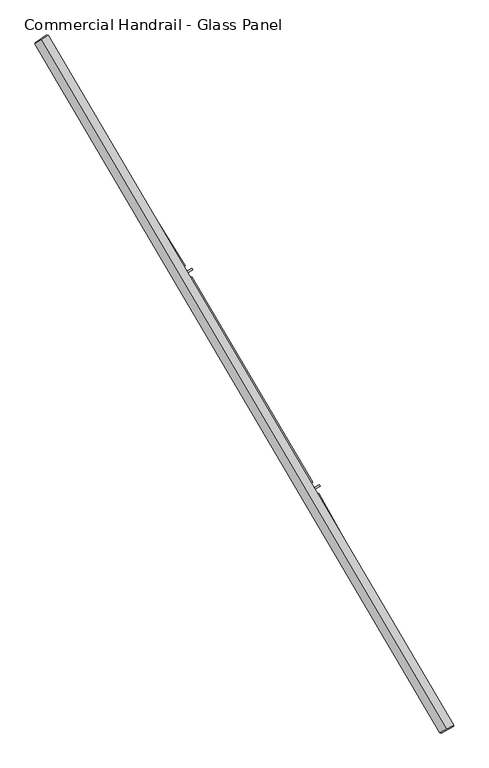
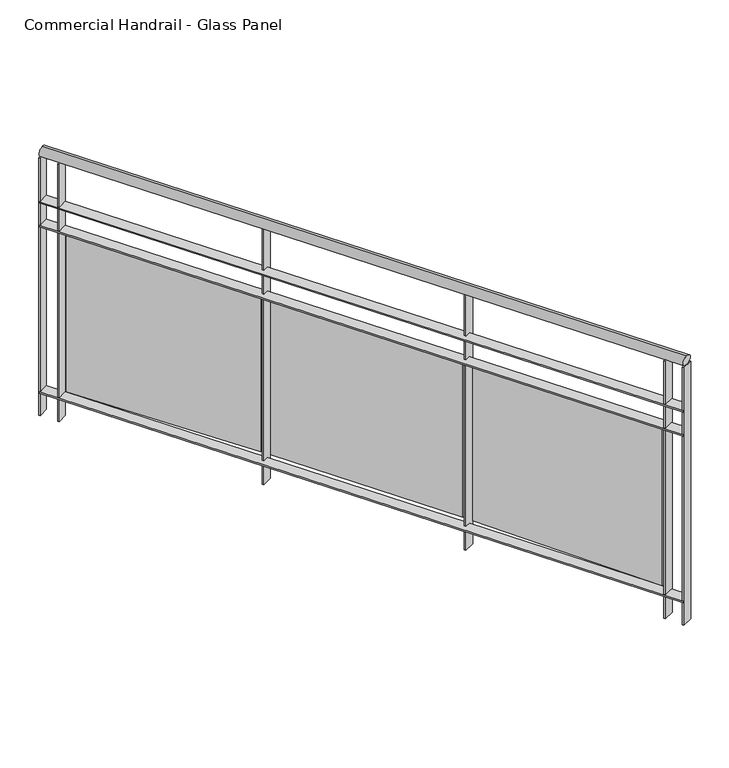
"""IFC4 building model written with IfcOpenShell, lengths in millimetres: railing geometry, Commercial Handrail - Glass Panel."""

from ifc_helpers import new_model, si_unit, point, frame, origin, place, context, project, spatial, polyline, circle_curve, ellipse_curve, trimmed, outline, extrude, source, transform, mapped, element, save
from ifc_brep_helpers import plane_surface, cylinder_surface, revolved_surface, advanced_brep


def commercial_handrail_glass_panel_18eabf3f(model_context):
    return source(origin(), model_context, "Body", "SolidModel", [
        advanced_brep(
        [(177076.0575657, -31977.9006077, 33282.5), (175783.9289157, -29780.3413827, 33282.5), (175783.9289157, -29780.3413827, 33317.5), (177076.0575657, -31977.9006077, 33317.5)],
        [
            (0, 1, circle_curve(frame((146629.3968491, -48401.3811221, 33282.5), z_axis=(0.0, 0.0, 1.0), x_axis=(0.8427679503753938, 0.5382770493157384, 0.0)), 34593.7835601)),
            (1, 2, ellipse_curve(frame((175783.9289157, -29780.3413827, 33300.0), z_axis=(0.5382770493157341, -0.8427679503753968, 0.0), x_axis=(-0.8427679503753965, -0.538277049315734, 0.0)), 25.0, 17.5)),
            (2, 3, circle_curve(frame((146629.3968491, -48401.3811221, 33317.5), z_axis=(0.0, 0.0, -1.0), x_axis=(0.8427679503753938, 0.5382770493157384, 0.0)), 34593.7835601)),
            (3, 0, ellipse_curve(frame((177076.0575657, -31977.9006077, 33300.0), z_axis=(-0.4747523636984615, 0.8801194198304706, 0.0), x_axis=(-0.8801194198304704, -0.4747523636984614, 0.0)), 25.0, 17.5)),
            (2, 1, ellipse_curve(frame((175783.9289157, -29780.3413827, 33300.0), z_axis=(0.5382770493157341, -0.8427679503753968, 0.0), x_axis=(-0.8427679503753965, -0.538277049315734, 0.0)), 25.0, 17.5)),
            (0, 3, ellipse_curve(frame((177076.0575657, -31977.9006077, 33300.0), z_axis=(-0.4747523636984615, 0.8801194198304706, 0.0), x_axis=(-0.8801194198304704, -0.4747523636984614, 0.0)), 25.0, 17.5)),
        ],
        [
            revolved_surface(trimmed(ellipse_curve(frame((175783.9289157, -29780.3413827, 33300.0), z_axis=(-0.5382770493157384, 0.8427679503753938, 0.0), x_axis=(0.0, 0.0, -1.0)), 17.5, 25.0), [point((175783.9289157, -29780.3413827, 33317.5))], [point((175783.9289157, -29780.3413827, 33282.5))], True, "CARTESIAN"), (146629.3968491, -48401.3811221, 33300.0), (0.0, 0.0, -1.0)),
            revolved_surface(trimmed(ellipse_curve(frame((175783.9289157, -29780.3413827, 33300.0), z_axis=(-0.5382770493157384, 0.8427679503753938, 0.0), x_axis=(0.0, 0.0, -1.0)), 17.5, 25.0), [point((175783.9289157, -29780.3413827, 33282.5))], [point((175783.9289157, -29780.3413827, 33317.5))], True, "CARTESIAN"), (146629.3968491, -48401.3811221, 33300.0), (0.0, 0.0, -1.0)),
            plane_surface(frame((175783.9289157, -29780.3413827, 33300.0), z_axis=(-0.5382770493157384, 0.8427679503753938, 0.0), x_axis=(0.8427679503753938, 0.5382770493157384, 0.0))),
            plane_surface(frame((177076.0575657, -31977.9006077, 33300.0), z_axis=(0.4747523636984607, -0.8801194198304708, 0.0), x_axis=(0.8801194198304708, 0.4747523636984607, 0.0))),
        ],
        [
            (0, [[1, 2, 3, 4]]),
            (1, [[-3, 5, -1, 6]]),
            (2, [[-2, -5]]),
            (3, [[-6, -4]]),
        ],
    ),
        advanced_brep(
        [(177095.8602527, -31967.2186795, 33100.0), (175802.8911946, -29768.2301491, 33100.0), (175764.9666369, -29792.4526163, 33100.0), (177056.2548788, -31988.5825359, 33100.0), (177095.8602527, -31967.2186795, 33094.0), (175802.8911946, -29768.2301491, 33094.0), (177056.2548788, -31988.5825359, 33094.0), (175764.9666369, -29792.4526163, 33094.0)],
        [
            (0, 1, circle_curve(frame((146629.3968491, -48401.3811221, 33100.0), z_axis=(0.0, 0.0, 1.0), x_axis=(0.8427679503753938, 0.5382770493157384, 0.0)), 34616.2835601)),
            (1, 2),
            (2, 3, circle_curve(frame((146629.3968491, -48401.3811221, 33100.0), z_axis=(0.0, 0.0, -1.0), x_axis=(0.8427679503753938, 0.5382770493157384, 0.0)), 34571.2835601)),
            (3, 0),
            (4, 5, circle_curve(frame((146629.3968491, -48401.3811221, 33094.0), z_axis=(0.0, 0.0, 1.0), x_axis=(0.8427679503753938, 0.5382770493157384, 0.0)), 34616.2835601)),
            (5, 1),
            (0, 4),
            (6, 7, circle_curve(frame((146629.3968491, -48401.3811221, 33094.0), z_axis=(0.0, 0.0, 1.0), x_axis=(0.8427679503753938, 0.5382770493157384, 0.0)), 34571.2835601)),
            (7, 5),
            (4, 6),
            (2, 7),
            (6, 3),
        ],
        [
            plane_surface(frame((146629.3968491, -48401.3811221, 33100.0), z_axis=(0.0, 0.0, 1.0), x_axis=(0.8427679503753938, 0.5382770493157384, 0.0))),
            cylinder_surface(frame((146629.3968491, -48401.3811221, 33100.0), z_axis=(0.0, 0.0, -1.0), x_axis=(0.8427679503753938, 0.5382770493157384, 0.0)), 34616.2835601),
            plane_surface(frame((146629.3968491, -48401.3811221, 33094.0), z_axis=(0.0, 0.0, -1.0), x_axis=(0.8427679503753938, 0.5382770493157384, 0.0))),
            revolved_surface(polyline([(175764.96663689203, -29792.45261631168, 33094.0), (175764.96663689203, -29792.45261631168, 33100.0)]), (146629.3968491, -48401.3811221, 33100.0), (0.0, 0.0, -1.0)),
            plane_surface(frame((175783.9289157, -29780.3413827, 33100.0), z_axis=(-0.5382770493157384, 0.8427679503753938, 0.0), x_axis=(0.8427679503753938, 0.5382770493157384, 0.0))),
            plane_surface(frame((177076.0575657, -31977.9006077, 33100.0), z_axis=(0.4747523636984607, -0.8801194198304708, 0.0), x_axis=(0.8801194198304708, 0.4747523636984607, 0.0))),
        ],
        [
            (0, [[1, 2, 3, 4]]),
            (1, [[5, 6, -1, 7]]),
            (2, [[8, 9, -5, 10]]),
            (3, [[-3, 11, -8, 12]]),
            (4, [[-2, -6, -9, -11]]),
            (5, [[-12, -10, -7, -4]]),
        ],
    ),
        advanced_brep(
        [(177095.8602527, -31967.2186795, 33000.0), (175802.8911946, -29768.2301491, 33000.0), (175764.9666369, -29792.4526163, 33000.0), (177056.2548788, -31988.5825359, 33000.0), (177095.8602527, -31967.2186795, 32994.0), (175802.8911946, -29768.2301491, 32994.0), (177056.2548788, -31988.5825359, 32994.0), (175764.9666369, -29792.4526163, 32994.0)],
        [
            (0, 1, circle_curve(frame((146629.3968491, -48401.3811221, 33000.0), z_axis=(0.0, 0.0, 1.0), x_axis=(0.8427679503753938, 0.5382770493157384, 0.0)), 34616.2835601)),
            (1, 2),
            (2, 3, circle_curve(frame((146629.3968491, -48401.3811221, 33000.0), z_axis=(0.0, 0.0, -1.0), x_axis=(0.8427679503753938, 0.5382770493157384, 0.0)), 34571.2835601)),
            (3, 0),
            (4, 5, circle_curve(frame((146629.3968491, -48401.3811221, 32994.0), z_axis=(0.0, 0.0, 1.0), x_axis=(0.8427679503753938, 0.5382770493157384, 0.0)), 34616.2835601)),
            (5, 1),
            (0, 4),
            (6, 7, circle_curve(frame((146629.3968491, -48401.3811221, 32994.0), z_axis=(0.0, 0.0, 1.0), x_axis=(0.8427679503753938, 0.5382770493157384, 0.0)), 34571.2835601)),
            (7, 5),
            (4, 6),
            (2, 7),
            (6, 3),
        ],
        [
            plane_surface(frame((146629.3968491, -48401.3811221, 33000.0), z_axis=(0.0, 0.0, 1.0), x_axis=(0.8427679503753938, 0.5382770493157384, 0.0))),
            cylinder_surface(frame((146629.3968491, -48401.3811221, 33000.0), z_axis=(0.0, 0.0, -1.0), x_axis=(0.8427679503753938, 0.5382770493157384, 0.0)), 34616.2835601),
            plane_surface(frame((146629.3968491, -48401.3811221, 32994.0), z_axis=(0.0, 0.0, -1.0), x_axis=(0.8427679503753938, 0.5382770493157384, 0.0))),
            revolved_surface(polyline([(175764.96663689203, -29792.45261631168, 32994.0), (175764.96663689203, -29792.45261631168, 33000.0)]), (146629.3968491, -48401.3811221, 33000.0), (0.0, 0.0, -1.0)),
            plane_surface(frame((175783.9289157, -29780.3413827, 33000.0), z_axis=(-0.5382770493157384, 0.8427679503753938, 0.0), x_axis=(0.8427679503753938, 0.5382770493157384, 0.0))),
            plane_surface(frame((177076.0575657, -31977.9006077, 33000.0), z_axis=(0.4747523636984607, -0.8801194198304708, 0.0), x_axis=(0.8801194198304708, 0.4747523636984607, 0.0))),
        ],
        [
            (0, [[1, 2, 3, 4]]),
            (1, [[5, 6, -1, 7]]),
            (2, [[8, 9, -5, 10]]),
            (3, [[-3, 11, -8, 12]]),
            (4, [[-2, -6, -9, -11]]),
            (5, [[-12, -10, -7, -4]]),
        ],
    ),
        advanced_brep(
        [(177095.8602527, -31967.2186795, 32300.0), (175802.8911946, -29768.2301491, 32300.0), (175764.9666369, -29792.4526163, 32300.0), (177056.2548788, -31988.5825359, 32300.0), (177095.8602527, -31967.2186795, 32294.0), (175802.8911946, -29768.2301491, 32294.0), (177056.2548788, -31988.5825359, 32294.0), (175764.9666369, -29792.4526163, 32294.0)],
        [
            (0, 1, circle_curve(frame((146629.3968491, -48401.3811221, 32300.0), z_axis=(0.0, 0.0, 1.0), x_axis=(0.8427679503753938, 0.5382770493157384, 0.0)), 34616.2835601)),
            (1, 2),
            (2, 3, circle_curve(frame((146629.3968491, -48401.3811221, 32300.0), z_axis=(0.0, 0.0, -1.0), x_axis=(0.8427679503753938, 0.5382770493157384, 0.0)), 34571.2835601)),
            (3, 0),
            (4, 5, circle_curve(frame((146629.3968491, -48401.3811221, 32294.0), z_axis=(0.0, 0.0, 1.0), x_axis=(0.8427679503753938, 0.5382770493157384, 0.0)), 34616.2835601)),
            (5, 1),
            (0, 4),
            (6, 7, circle_curve(frame((146629.3968491, -48401.3811221, 32294.0), z_axis=(0.0, 0.0, 1.0), x_axis=(0.8427679503753938, 0.5382770493157384, 0.0)), 34571.2835601)),
            (7, 5),
            (4, 6),
            (2, 7),
            (6, 3),
        ],
        [
            plane_surface(frame((146629.3968491, -48401.3811221, 32300.0), z_axis=(0.0, 0.0, 1.0), x_axis=(0.8427679503753938, 0.5382770493157384, 0.0))),
            cylinder_surface(frame((146629.3968491, -48401.3811221, 32300.0), z_axis=(0.0, 0.0, -1.0), x_axis=(0.8427679503753938, 0.5382770493157384, 0.0)), 34616.2835601),
            plane_surface(frame((146629.3968491, -48401.3811221, 32294.0), z_axis=(0.0, 0.0, -1.0), x_axis=(0.8427679503753938, 0.5382770493157384, 0.0))),
            revolved_surface(polyline([(175764.96663689203, -29792.45261631168, 32294.0), (175764.96663689203, -29792.45261631168, 32300.0)]), (146629.3968491, -48401.3811221, 32300.0), (0.0, 0.0, -1.0)),
            plane_surface(frame((175783.9289157, -29780.3413827, 32300.0), z_axis=(-0.5382770493157384, 0.8427679503753938, 0.0), x_axis=(0.8427679503753938, 0.5382770493157384, 0.0))),
            plane_surface(frame((177076.0575657, -31977.9006077, 32300.0), z_axis=(0.4747523636984607, -0.8801194198304708, 0.0), x_axis=(0.8801194198304708, 0.4747523636984607, 0.0))),
        ],
        [
            (0, [[1, 2, 3, 4]]),
            (1, [[5, 6, -1, 7]]),
            (2, [[8, 9, -5, 10]]),
            (3, [[-3, 11, -8, 12]]),
            (4, [[-2, -6, -9, -11]]),
            (5, [[-12, -10, -7, -4]]),
        ],
    ),
        extrude(outline(polyline([(177019.2025619, -31920.0776321), (177058.7615677, -31898.6280386), (177061.6215135, -31903.9025727), (177022.0625077, -31925.3521662), (177019.2025619, -31920.0776321)])), frame((0.0, 0.0, 32200.0), z_axis=(0.0, 0.0, 1.0), x_axis=(1.0, 0.0, 0.0)), (0.0, 0.0, 1.0), 1082.1192282),
        extrude(outline(polyline([(176667.9811331, -31226.6066951), (177037.9417222, -31890.4810526), (177027.4594955, -31896.3225355), (176657.4989064, -31232.4481781), (176667.9811331, -31226.6066951)])), frame((0.0, 0.0, 32320.0), z_axis=(0.0, 0.0, 1.0), x_axis=(1.0, 0.0, 0.0)), (0.0, 0.0, 1.0), 660.0),
        extrude(outline(polyline([(176629.9717234, -31221.766365), (176669.0241625, -31199.4077648), (176672.0053092, -31204.6147567), (176632.9528701, -31226.9733569), (176629.9717234, -31221.766365)])), frame((0.0, 0.0, 32200.0), z_axis=(0.0, 0.0, 1.0), x_axis=(1.0, 0.0, 0.0)), (0.0, 0.0, 1.0), 1082.1192282),
        extrude(outline(polyline([(176262.8087433, -30536.6023126), (176648.0214972, -31191.7443844), (176637.6771487, -31197.8266911), (176252.4643948, -30542.6846193), (176262.8087433, -30536.6023126)])), frame((0.0, 0.0, 32320.0), z_axis=(0.0, 0.0, 1.0), x_axis=(1.0, 0.0, 0.0)), (0.0, 0.0, 1.0), 660.0),
        extrude(outline(polyline([(176224.6975714, -30532.6421866), (176263.2225599, -30509.3865364), (176266.3233132, -30514.5232015), (176227.7983248, -30537.7788517), (176224.6975714, -30532.6421866)])), frame((0.0, 0.0, 32200.0), z_axis=(0.0, 0.0, 1.0), x_axis=(1.0, 0.0, 0.0)), (0.0, 0.0, 1.0), 1082.1192282),
        extrude(outline(polyline([(175841.7893867, -29856.1514219), (176242.0483063, -30502.2108598), (176231.8473678, -30508.5307375), (175831.5884482, -29862.4712996), (175841.7893867, -29856.1514219)])), frame((0.0, 0.0, 32320.0), z_axis=(0.0, 0.0, 1.0), x_axis=(1.0, 0.0, 0.0)), (0.0, 0.0, 1.0), 660.0),
        extrude(outline(polyline([(175803.5968332, -29853.0736178), (175841.5737692, -29828.9333539), (175844.792471, -29833.9969454), (175806.8155351, -29858.1372092), (175803.5968332, -29853.0736178)])), frame((0.0, 0.0, 32200.0), z_axis=(0.0, 0.0, 1.0), x_axis=(1.0, 0.0, 0.0)), (0.0, 0.0, 1.0), 1082.1192282),
        extrude(outline(polyline([(177054.8306217, -31985.9421776), (177094.4359956, -31964.5783212), (177097.2845098, -31969.8590378), (177057.6791359, -31991.2228941), (177054.8306217, -31985.9421776)])), frame((0.0, 0.0, 32200.0), z_axis=(0.0, 0.0, 1.0), x_axis=(1.0, 0.0, 0.0)), (0.0, 0.0, 1.0), 1082.1192282),
        extrude(outline(polyline([(175763.3518057, -29789.9243125), (175801.2763635, -29765.7018453), (175804.5060258, -29770.758453), (175766.581468, -29794.9809202), (175763.3518057, -29789.9243125)])), frame((0.0, 0.0, 32200.0), z_axis=(0.0, 0.0, 1.0), x_axis=(1.0, 0.0, 0.0)), (0.0, 0.0, 1.0), 1082.1192282),
    ])


if __name__ == "__main__":
    model = new_model("IFC4")
    model_context = context("Model", 3, world=origin())
    ifc_project = project(units=[si_unit("LENGTHUNIT", "METRE", prefix="MILLI")], contexts=[model_context])
    site = spatial("IfcSite", under=ifc_project)
    building = spatial("IfcBuilding", under=site)
    placement = place(None, origin())
    commercial_handrail_glass_panel_shape = commercial_handrail_glass_panel_18eabf3f(model_context)
    element("IfcRailing", 1, ObjectType="Commercial Handrail - Glass Panel", at=placement, inside=building, context=model_context, shape_type="MappedRepresentation", body=[
        mapped(commercial_handrail_glass_panel_shape, transform((0.0, 0.0, 0.0), x_axis=(1.0, 0.0, 0.0), y_axis=(0.0, 1.0, 0.0), z_axis=(0.0, 0.0, 1.0))),
    ])
    save(model, "model.ifc")
